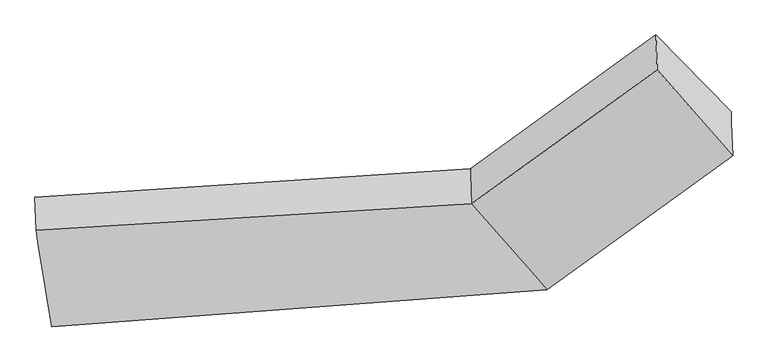
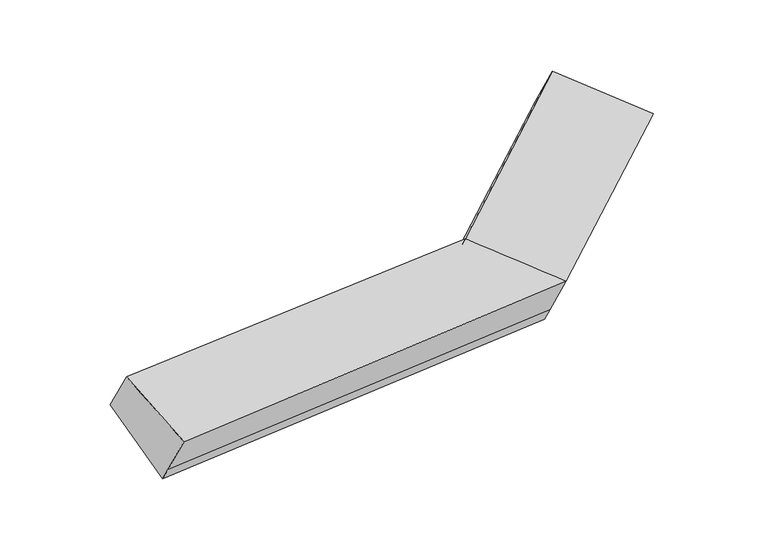
"""IFC4 building model written with IfcOpenShell, lengths in millimetres: proxy geometry."""

from ifc_helpers import new_model, si_unit, frame, origin, place, context, project, spatial, source, transform, mapped, element, save
from ifc_brep_helpers import plane_surface, spline_surface, advanced_brep


def generic_models_ed593347(model_context):
    return source(origin(), model_context, "Body", "AdvancedBrep", [
        advanced_brep(
        [(-2765.2763308, -1769.7553903, 1682.5108059), (-2757.0309127, -2010.7332315, 2096.4391932), (448.4374748, -1816.6181243, 2189.3347735), (439.6653584, -1560.2471728, 1748.9655928), (-2653.5462857, -2400.9730873, 1312.8073896), (992.5798383, -2124.6571903, 1409.367433), (-2650.8783419, -2478.9455233, 1446.7408854), (995.3338447, -2205.1448662, 1547.6213641), (-2642.6210974, -2720.2689994, 1861.2629709), (1003.7184944, -2450.1918407, 1968.5393145), (2360.4188995, -1219.8545366, 2089.1184721), (2357.6648931, -1139.3668608, 1950.8645409), (1804.7504132, -574.9568433, 2290.4627007), (1813.5225296, -831.3277947, 2730.8318814), (2368.8035492, -1464.9015111, 2510.0364224)],
        [
            (0, 1),
            (1, 2),
            (2, 3),
            (3, 0),
            (4, 0),
            (0, 5),
            (5, 4),
            (6, 4),
            (5, 7),
            (7, 6),
            (8, 6),
            (7, 9),
            (9, 8),
            (1, 8),
            (9, 2),
            (10, 11),
            (11, 12),
            (12, 13),
            (13, 14),
            (14, 10),
            (3, 5),
            (5, 11),
            (10, 7),
            (3, 12),
            (2, 13),
            (9, 14),
        ],
        [
            plane_surface(frame((-2761.1536218, -1890.2443109, 1889.4749995), z_axis=(-0.06675979848872748, 0.861708303723437, 0.5029929707260545), x_axis=(0.017212540600675553, -0.503047974109314, 0.864087069797127))),
            plane_surface(frame((-2709.4113083, -2085.3642388, 1497.6590977), z_axis=(-0.0152631076543999, 0.503321274198588, -0.8639645435339579), x_axis=(-0.15098654744167478, 0.8529968878638592, 0.49959921115451505))),
            plane_surface(frame((-2652.2123138, -2439.9593053, 1379.7741375), z_axis=(0.07855308932091717, -0.8608634523675689, -0.5027360426067847), x_axis=(-0.017212540600675827, 0.503047974109314, -0.8640870697971271))),
            plane_surface(frame((-2646.7497197, -2599.6072613, 1654.0019282), z_axis=(0.07855308932091716, -0.860863452367569, -0.5027360426067843), x_axis=(-0.01721254060067557, 0.5030479741093136, -0.8640870697971272))),
            spline_surface(1, 1, [[(-2757.0309127, -2010.7332315, 2096.4391932), (448.4374748, -1816.6181243, 2189.3347735)], [(-2642.6210974, -2720.2689994, 1861.2629709), (1003.7184944, -2450.1918407, 1968.5393145)]], [2, 2], [2, 2], [0.0, 1.0], [0.0, 1.0]),
            plane_surface(frame((2086.1853463, -1002.6382525, 2370.5488863), z_axis=(0.7657367028541129, 0.5623390696150642, 0.3121250914081987), x_axis=(-0.017212540600675383, 0.5030479741093141, -0.864087069797127))),
            plane_surface(frame((-2704.6186567, -2225.4326771, 1738.2550899), z_axis=(-0.9883859524182421, -0.1390648950636862, -0.06127123324375306), x_axis=(-0.017212540600602913, 0.5030479741093362, -0.8640870697971156))),
            plane_surface(frame((-2765.2763308, -1769.7553903, 1682.5108059), z_axis=(-0.015087418791079832, 0.5046066278887151, -0.8632175397227531), x_axis=(-0.6429238137977021, 0.6562907179969713, 0.3948815811390014))),
            plane_surface(frame((993.9568415, -2164.9010282, 1478.4943986), z_axis=(0.6354539235810488, -0.6617231712134807, -0.39789540797127265), x_axis=(-0.01721254060067522, 0.5030479741093141, -0.864087069797127))),
            plane_surface(frame((716.1225983, -1842.4521816, 1579.1665129), z_axis=(-0.0190532701202073, 0.5016946954797291, -0.8648349006748215), x_axis=(-0.6429238137977021, 0.6562907179969711, 0.39488158113900135))),
            plane_surface(frame((444.0514166, -1688.4326485, 1969.1501831), z_axis=(-0.635453923581049, 0.6617231712134805, 0.3978954079712723), x_axis=(0.017212540600675376, -0.5030479741093138, 0.8640870697971271))),
            plane_surface(frame((726.0779846, -2133.4049825, 2078.937044), z_axis=(-0.0815066149146507, -0.39093324780817423, 0.9168030690847995), x_axis=(0.6375791283109591, -0.7274755729639977, -0.2535195177554207))),
            plane_surface(frame((999.5261695, -2327.6683534, 1758.0803393), z_axis=(0.6354539235810489, -0.6617231712134806, -0.3978954079712729), x_axis=(-0.01721254060067544, 0.5030479741093142, -0.864087069797127))),
        ],
        [
            (0, [[1, 2, 3, 4]]),
            (1, [[5, 6, 7]]),
            (2, [[8, -7, 9, 10]]),
            (3, [[11, -10, 12, 13]]),
            (4, [[14, -13, 15, -2]]),
            (5, [[16, 17, 18, 19, 20]]),
            (6, [[-1, -5, -8, -11, -14]]),
            (7, [[21, -6, -4]]),
            (8, [[-9, 22, -16, 23]]),
            (9, [[-21, 24, -17, -22]]),
            (10, [[-3, 25, -18, -24]]),
            (11, [[-15, 26, -19, -25]]),
            (12, [[-12, -23, -20, -26]]),
        ],
    ),
    ])


if __name__ == "__main__":
    model = new_model("IFC4")
    model_context = context("Model", 3, world=origin())
    ifc_project = project(units=[si_unit("LENGTHUNIT", "METRE", prefix="MILLI")], contexts=[model_context])
    site = spatial("IfcSite", under=ifc_project)
    building = spatial("IfcBuilding", under=site)
    placement = place(None, origin())
    generic_models_shape = generic_models_ed593347(model_context)
    element("IfcBuildingElementProxy", 1, Name="Generic Models", at=placement, inside=building, context=model_context, shape_type="MappedRepresentation", body=[
        mapped(generic_models_shape, transform((0.0, 0.0, 0.0), x_axis=(1.0, 0.0, 0.0), y_axis=(0.0, 1.0, 0.0), z_axis=(0.0, 0.0, 1.0))),
    ])
    save(model, "model.ifc")
